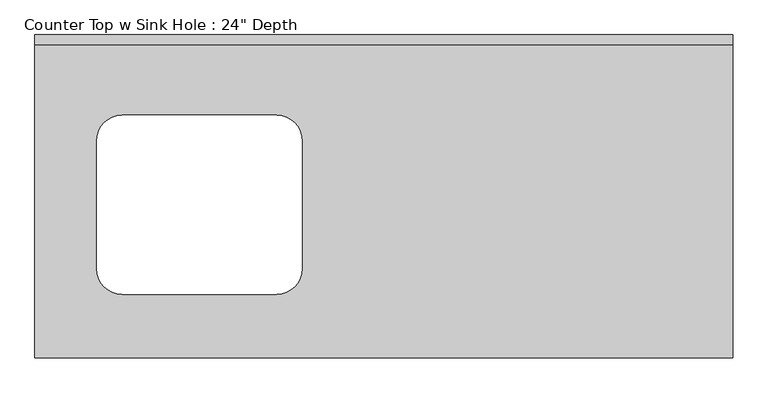
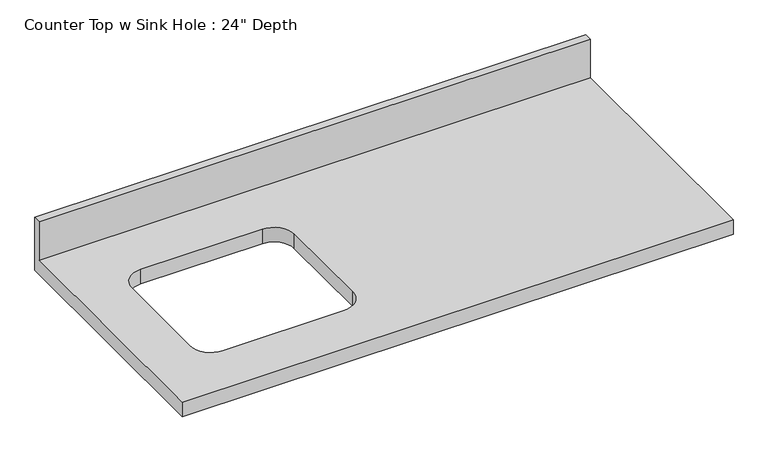
"""IFC4 building model written with IfcOpenShell, lengths in millimetres: furniture geometry."""

from ifc_helpers import new_model, si_unit, frame, origin, place, context, project, spatial, polyline, circle_curve, source, transform, mapped, element, save
from ifc_brep_helpers import plane_surface, revolved_surface, advanced_brep


def furniture_f233e2e1(model_context):
    return source(origin(), model_context, "Body", "AdvancedBrep", [
        advanced_brep(
        [(-1200.4622951, -635.0, 914.4), (171.1377049, -635.0, 914.4), (171.1377049, -19.05, 914.4), (-1200.4622951, -19.05, 914.4), (-1028.4005755, -158.1017627, 914.4), (-725.6532978, -158.1017627, 914.4), (-674.8532978, -208.9017627, 914.4), (-674.8532978, -459.8540342, 914.4), (-725.6532978, -510.6540342, 914.4), (-1028.4005755, -510.6540342, 914.4), (-1079.2005755, -459.8540342, 914.4), (-1079.2005755, -208.9017627, 914.4), (171.1377049, 0.0, 876.3), (171.1377049, -635.0, 876.3), (-1200.4622951, -635.0, 876.3), (-1200.4622951, 0.0, 876.3), (-725.6532978, -158.1017627, 876.3), (-1028.4005755, -158.1017627, 876.3), (-1079.2005755, -208.9017627, 876.3), (-1079.2005755, -459.8540342, 876.3), (-1028.4005755, -510.6540342, 876.3), (-725.6532978, -510.6540342, 876.3), (-674.8532978, -459.8540342, 876.3), (-674.8532978, -208.9017627, 876.3), (-1200.4622951, 0.0, 1016.0), (171.1377049, 0.0, 1016.0), (-1200.4622951, -19.05, 1016.0), (171.1377049, -19.05, 1016.0)],
        [
            (0, 1),
            (1, 2),
            (2, 3),
            (3, 0),
            (4, 5),
            (5, 6, circle_curve(frame((-725.6532978, -208.9017627, 914.4), z_axis=(0.0, 0.0, -1.0), x_axis=(1.0, 0.0, 0.0)), 50.8)),
            (6, 7),
            (7, 8, circle_curve(frame((-725.6532978, -459.8540342, 914.4), z_axis=(0.0, 0.0, -1.0), x_axis=(1.0, 0.0, 0.0)), 50.8)),
            (8, 9),
            (9, 10, circle_curve(frame((-1028.4005755, -459.8540342, 914.4), z_axis=(0.0, 0.0, -1.0), x_axis=(1.0, 0.0, 0.0)), 50.8)),
            (10, 11),
            (11, 4, circle_curve(frame((-1028.4005755, -208.9017627, 914.4), z_axis=(0.0, 0.0, -1.0), x_axis=(1.0, 0.0, 0.0)), 50.8)),
            (12, 13),
            (13, 14),
            (14, 15),
            (15, 12),
            (16, 17),
            (17, 18, circle_curve(frame((-1028.4005755, -208.9017627, 876.3), z_axis=(0.0, 0.0, 1.0), x_axis=(1.0, 0.0, 0.0)), 50.8)),
            (18, 19),
            (19, 20, circle_curve(frame((-1028.4005755, -459.8540342, 876.3), z_axis=(0.0, 0.0, 1.0), x_axis=(1.0, 0.0, 0.0)), 50.8)),
            (20, 21),
            (21, 22, circle_curve(frame((-725.6532978, -459.8540342, 876.3), z_axis=(0.0, 0.0, 1.0), x_axis=(1.0, 0.0, 0.0)), 50.8)),
            (22, 23),
            (23, 16, circle_curve(frame((-725.6532978, -208.9017627, 876.3), z_axis=(0.0, 0.0, 1.0), x_axis=(1.0, 0.0, 0.0)), 50.8)),
            (15, 24),
            (24, 25),
            (25, 12),
            (14, 0),
            (3, 26),
            (26, 24),
            (13, 1),
            (25, 27),
            (27, 2),
            (26, 27),
            (4, 17),
            (16, 5),
            (11, 18),
            (10, 19),
            (9, 20),
            (8, 21),
            (7, 22),
            (6, 23),
        ],
        [
            plane_surface(frame((-1200.4622951, 0.0, 914.4), z_axis=(0.0, 0.0, 1.0), x_axis=(-1.0, 0.0, 0.0))),
            plane_surface(frame((-1200.4622951, 0.0, 876.3), z_axis=(0.0, 0.0, -1.0), x_axis=(1.0, 0.0, 0.0))),
            plane_surface(frame((171.1377049, 0.0, 914.4), z_axis=(0.0, 1.0, 0.0), x_axis=(0.0, 0.0, -1.0))),
            plane_surface(frame((-1200.4622951, 0.0, 914.4), z_axis=(-1.0, 0.0, 0.0), x_axis=(0.0, 0.0, -1.0))),
            plane_surface(frame((-1200.4622951, -635.0, 914.4), z_axis=(0.0, -1.0, 0.0), x_axis=(0.0, 0.0, -1.0))),
            plane_surface(frame((171.1377049, -635.0, 914.4), z_axis=(1.0, 0.0, 0.0), x_axis=(0.0, 0.0, -1.0))),
            plane_surface(frame((-1200.4622951, 0.0, 1016.0), z_axis=(0.0, 0.0, 1.0), x_axis=(0.0, -1.0, 0.0))),
            plane_surface(frame((-1200.4622951, -19.05, 1016.0), z_axis=(0.0, -1.0, 0.0), x_axis=(0.0, 0.0, -1.0))),
            plane_surface(frame((-725.6532978, -158.1017627, 914.4), z_axis=(0.0, -1.0, 0.0), x_axis=(0.0, 0.0, -1.0))),
            revolved_surface(polyline([(-977.6005755000001, -208.9017627, 914.4), (-977.6005755000001, -208.9017627, 876.3)]), (-1028.4005755, -208.9017627, 876.3), (0.0, 0.0, 1.0)),
            plane_surface(frame((-1079.2005755, -208.9017627, 914.4), z_axis=(1.0, 0.0, 0.0), x_axis=(0.0, 0.0, -1.0))),
            revolved_surface(polyline([(-977.6005755000001, -459.8540342, 914.4), (-977.6005755000001, -459.8540342, 876.3)]), (-1028.4005755, -459.8540342, 876.3), (0.0, 0.0, 1.0)),
            plane_surface(frame((-1028.4005755, -510.6540342, 914.4), z_axis=(0.0, 1.0, 0.0), x_axis=(0.0, 0.0, -1.0))),
            revolved_surface(polyline([(-674.8532978000001, -459.8540342, 914.4), (-674.8532978000001, -459.8540342, 876.3)]), (-725.6532978, -459.8540342, 876.3), (0.0, 0.0, 1.0)),
            plane_surface(frame((-674.8532978, -459.8540342, 914.4), z_axis=(-1.0, 0.0, 0.0), x_axis=(0.0, 0.0, -1.0))),
            revolved_surface(polyline([(-674.8532978000001, -208.9017627, 914.4), (-674.8532978000001, -208.9017627, 876.3)]), (-725.6532978, -208.9017627, 876.3), (0.0, 0.0, 1.0)),
        ],
        [
            (0, [[1, 2, 3, 4], [5, 6, 7, 8, 9, 10, 11, 12]]),
            (1, [[13, 14, 15, 16], [17, 18, 19, 20, 21, 22, 23, 24]]),
            (2, [[-16, 25, 26, 27]]),
            (3, [[-15, 28, -4, 29, 30, -25]]),
            (4, [[-1, -28, -14, 31]]),
            (5, [[-13, -27, 32, 33, -2, -31]]),
            (6, [[-30, 34, -32, -26]]),
            (7, [[-34, -29, -3, -33]]),
            (8, [[35, -17, 36, -5]]),
            (9, [[-35, -12, 37, -18]]),
            (10, [[-37, -11, 38, -19]]),
            (11, [[-38, -10, 39, -20]]),
            (12, [[-39, -9, 40, -21]]),
            (13, [[-40, -8, 41, -22]]),
            (14, [[-41, -7, 42, -23]]),
            (15, [[-36, -24, -42, -6]]),
        ],
    ),
    ])


if __name__ == "__main__":
    model = new_model("IFC4")
    model_context = context("Model", 3, world=origin())
    ifc_project = project(units=[si_unit("LENGTHUNIT", "METRE", prefix="MILLI")], contexts=[model_context])
    site = spatial("IfcSite", under=ifc_project)
    building = spatial("IfcBuilding", under=site)
    placement = place(None, origin())
    furniture_shape = furniture_f233e2e1(model_context)
    element("IfcFurniture", 1, ObjectType="Counter Top w Sink Hole : 24\" Depth", at=placement, inside=building, context=model_context, shape_type="MappedRepresentation", body=[
        mapped(furniture_shape, transform((0.0, 0.0, 0.0), x_axis=(1.0, 0.0, 0.0), y_axis=(0.0, 1.0, 0.0), z_axis=(0.0, 0.0, 1.0))),
    ])
    save(model, "model.ifc")
